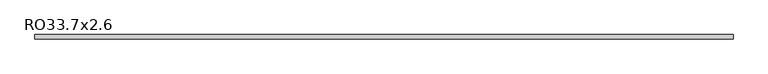
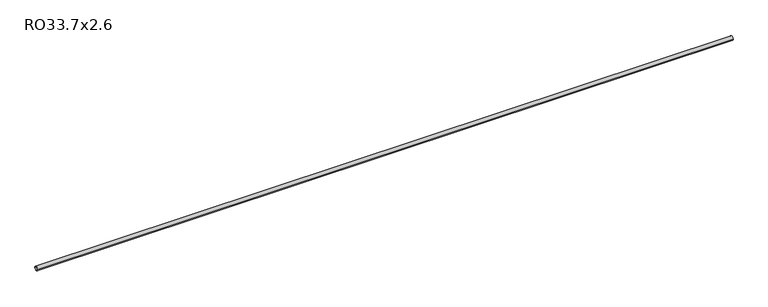
"""IFC4 building model written with IfcOpenShell, lengths in millimetres: member geometry, RO33.7x2.6."""

from ifc_helpers import new_model, si_unit, point, frame, origin, origin_2d, place, context, project, spatial, circle_curve, trimmed, segment, composite_curve, outline, extrude, source, transform, mapped, element, save


def ro33_7x2_6_83213858(model_context):
    return source(origin(), model_context, "Body", "SweptSolid", [
        extrude(outline(composite_curve([segment(trimmed(circle_curve(origin_2d(), 16.85), [point((-16.85, 0.0))], [point((16.85, 0.0))], False, "CARTESIAN"), True, "CONTINUOUS"), segment(trimmed(circle_curve(origin_2d(), 16.85), [point((16.85, 0.0))], [point((-16.85, 0.0))], False, "CARTESIAN"), True, "CONTINUOUS")], self_intersect=False), holes=[composite_curve([segment(trimmed(circle_curve(origin_2d(), 14.25), [point((14.25, 0.0))], [point((-14.25, 0.0))], True, "CARTESIAN"), True, "CONTINUOUS"), segment(trimmed(circle_curve(origin_2d(), 14.25), [point((-14.25, 0.0))], [point((14.25, 0.0))], True, "CARTESIAN"), True, "CONTINUOUS")], self_intersect=False)]), frame((-2780.4, 0.0, 0.0), z_axis=(1.0, 0.0, 0.0), x_axis=(0.0, 1.0, 0.0)), (0.0, 0.0, 1.0), 5560.8),
    ])


if __name__ == "__main__":
    model = new_model("IFC4")
    model_context = context("Model", 3, world=origin())
    ifc_project = project(units=[si_unit("LENGTHUNIT", "METRE", prefix="MILLI")], contexts=[model_context])
    site = spatial("IfcSite", under=ifc_project)
    building = spatial("IfcBuilding", under=site)
    placement = place(None, origin())
    ro33_7x2_6_shape = ro33_7x2_6_83213858(model_context)
    element("IfcMember", 1, ObjectType="RO33.7x2.6", at=placement, inside=building, context=model_context, shape_type="MappedRepresentation", body=[
        mapped(ro33_7x2_6_shape, transform((0.0, 0.0, 0.0), x_axis=(1.0, 0.0, 0.0), y_axis=(0.0, 1.0, 0.0), z_axis=(0.0, 0.0, 1.0))),
    ])
    save(model, "model.ifc")
